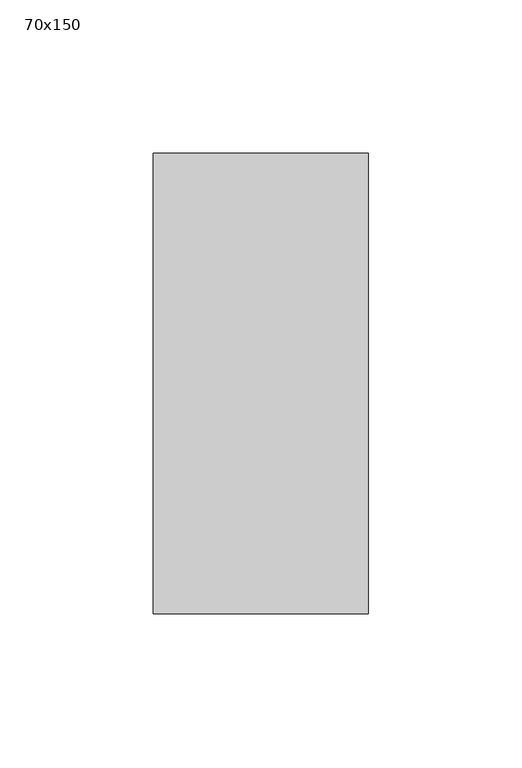
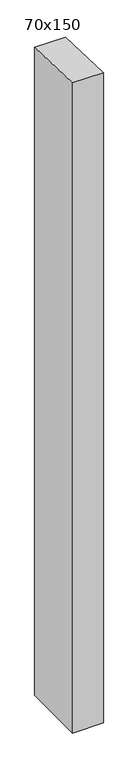
"""IFC4 building model written with IfcOpenShell, lengths in millimetres: member geometry, 70x150."""

from ifc_helpers import new_model, si_unit, frame, origin, place, context, project, spatial, polyline, outline, extrude, source, transform, mapped, element, save


def member_70x150_10f8ced3(model_context):
    return source(origin(), model_context, "Body", "SweptSolid", [
        extrude(outline(polyline([(-75.0, 2.8650935), (75.0, -2.8650935), (75.0, -1565.5679589), (-75.0, -1565.5679589), (-75.0, 2.8650935)])), frame((-70.0, 0.0, 0.0), z_axis=(1.0, 0.0, 0.0), x_axis=(0.0, 1.0, 0.0)), (0.0, 0.0, 1.0), 70.0),
    ])


if __name__ == "__main__":
    model = new_model("IFC4")
    model_context = context("Model", 3, world=origin())
    ifc_project = project(units=[si_unit("LENGTHUNIT", "METRE", prefix="MILLI")], contexts=[model_context])
    site = spatial("IfcSite", under=ifc_project)
    building = spatial("IfcBuilding", under=site)
    placement = place(None, origin())
    member_70x150_shape = member_70x150_10f8ced3(model_context)
    element("IfcMember", 1, ObjectType="70x150", at=placement, inside=building, context=model_context, shape_type="MappedRepresentation", body=[
        mapped(member_70x150_shape, transform((0.0, 0.0, 0.0), x_axis=(1.0, 0.0, 0.0), y_axis=(0.0, 1.0, 0.0), z_axis=(0.0, 0.0, 1.0))),
    ])
    save(model, "model.ifc")
